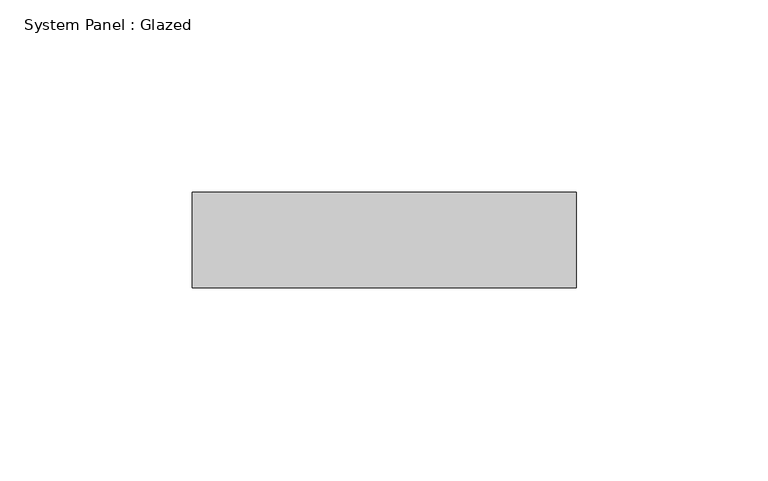
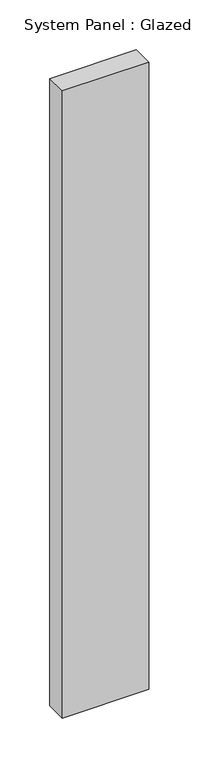
"""IFC4 building model written with IfcOpenShell, lengths in millimetres: plate geometry, System Panel : Glazed."""

from ifc_helpers import new_model, si_unit, origin, origin_with_axes, place, context, project, spatial, polyline, outline, extrude, source, transform, mapped, element, save


def system_panel_glazed_3f43b38a(model_context):
    return source(origin(), model_context, "Body", "SweptSolid", [
        extrude(outline(polyline([(50.0, -49.5), (-50.0, -49.5), (-50.0, -24.5), (50.0, -24.5), (50.0, -49.5)])), origin_with_axes(), (0.0, 0.0, 1.0), 766.6666667),
    ])


if __name__ == "__main__":
    model = new_model("IFC4")
    model_context = context("Model", 3, world=origin())
    ifc_project = project(units=[si_unit("LENGTHUNIT", "METRE", prefix="MILLI")], contexts=[model_context])
    site = spatial("IfcSite", under=ifc_project)
    building = spatial("IfcBuilding", under=site)
    placement = place(None, origin())
    system_panel_glazed_shape = system_panel_glazed_3f43b38a(model_context)
    element("IfcPlate", 1, ObjectType="System Panel : Glazed", at=placement, inside=building, context=model_context, shape_type="MappedRepresentation", body=[
        mapped(system_panel_glazed_shape, transform((0.0, 0.0, 0.0), x_axis=(1.0, 0.0, 0.0), y_axis=(0.0, 1.0, 0.0), z_axis=(0.0, 0.0, 1.0))),
    ])
    save(model, "model.ifc")
